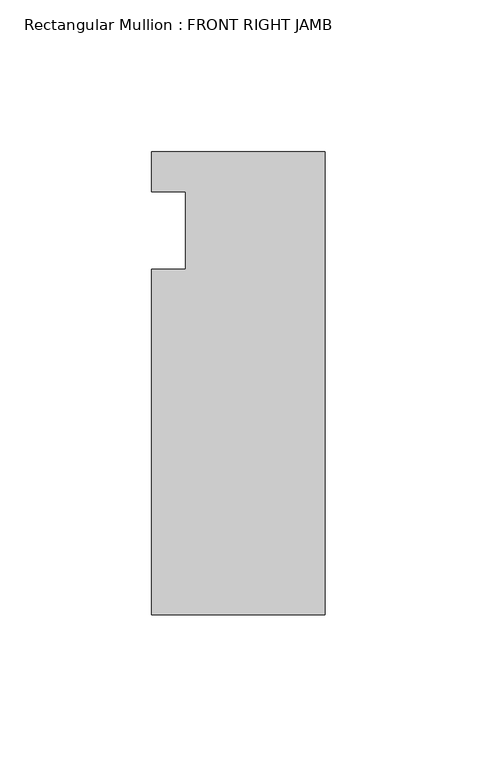
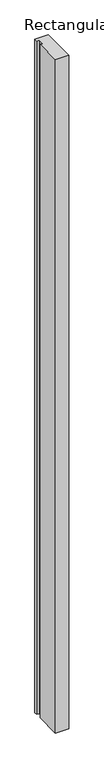
"""IFC4 building model written with IfcOpenShell, lengths in millimetres: member geometry, Rectangular Mullion : FRONT RIGHT JAMB."""

from ifc_helpers import new_model, si_unit, frame, origin, place, context, project, spatial, polyline, outline, extrude, source, transform, mapped, element, save


def rectangular_mullion_front_right_jamb_f2dbcd70(model_context):
    return source(origin(), model_context, "Body", "SweptSolid", [
        extrude(outline(polyline([(-57.15, 7.14375), (0.0, 7.14375), (0.0, -145.25625), (-57.15, -145.25625), (-57.15, -31.45155), (-46.0375, -31.45155), (-46.0375, -6.05155), (-57.15, -6.05155), (-57.15, 7.14375)])), frame((0.0, 0.0, -3048.0), z_axis=(0.0, 0.0, 1.0), x_axis=(1.0, 0.0, 0.0)), (0.0, 0.0, 1.0), 3048.0),
    ])


if __name__ == "__main__":
    model = new_model("IFC4")
    model_context = context("Model", 3, world=origin())
    ifc_project = project(units=[si_unit("LENGTHUNIT", "METRE", prefix="MILLI")], contexts=[model_context])
    site = spatial("IfcSite", under=ifc_project)
    building = spatial("IfcBuilding", under=site)
    placement = place(None, origin())
    rectangular_mullion_front_right_jamb_shape = rectangular_mullion_front_right_jamb_f2dbcd70(model_context)
    element("IfcMember", 1, ObjectType="Rectangular Mullion : FRONT RIGHT JAMB", at=placement, inside=building, context=model_context, shape_type="MappedRepresentation", body=[
        mapped(rectangular_mullion_front_right_jamb_shape, transform((0.0, 0.0, 0.0), x_axis=(1.0, 0.0, 0.0), y_axis=(0.0, 1.0, 0.0), z_axis=(0.0, 0.0, 1.0))),
    ])
    save(model, "model.ifc")
